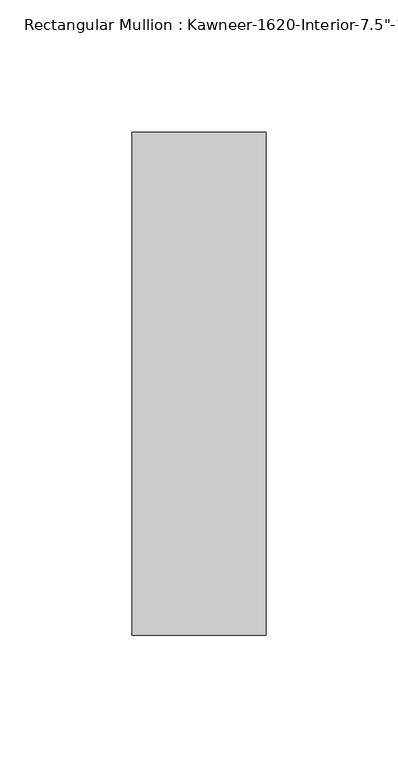
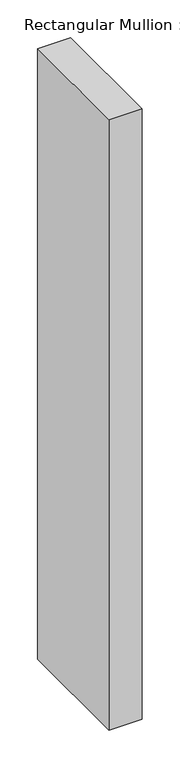
"""IFC4 building model written with IfcOpenShell, lengths in millimetres: member geometry."""

from ifc_helpers import new_model, si_unit, frame, origin, place, context, project, spatial, polyline, outline, extrude, source, transform, mapped, element, save


def member_cd328eca(model_context):
    return source(origin(), model_context, "Body", "SweptSolid", [
        extrude(outline(polyline([(25.4, -161.925), (-25.4, -161.925), (-25.4, 28.575), (25.4, 28.575), (25.4, -161.925)])), frame((0.0, 0.0, -990.6), z_axis=(0.0, 0.0, 1.0), x_axis=(1.0, 0.0, 0.0)), (0.0, 0.0, 1.0), 990.6),
    ])


if __name__ == "__main__":
    model = new_model("IFC4")
    model_context = context("Model", 3, world=origin())
    ifc_project = project(units=[si_unit("LENGTHUNIT", "METRE", prefix="MILLI")], contexts=[model_context])
    site = spatial("IfcSite", under=ifc_project)
    building = spatial("IfcBuilding", under=site)
    placement = place(None, origin())
    member_shape = member_cd328eca(model_context)
    element("IfcMember", 1, ObjectType="Rectangular Mullion : Kawneer-1620-Interior-7.5\"-1/4\"Infill", at=placement, inside=building, context=model_context, shape_type="MappedRepresentation", body=[
        mapped(member_shape, transform((0.0, 0.0, 0.0), x_axis=(1.0, 0.0, 0.0), y_axis=(0.0, 1.0, 0.0), z_axis=(0.0, 0.0, 1.0))),
    ])
    save(model, "model.ifc")
